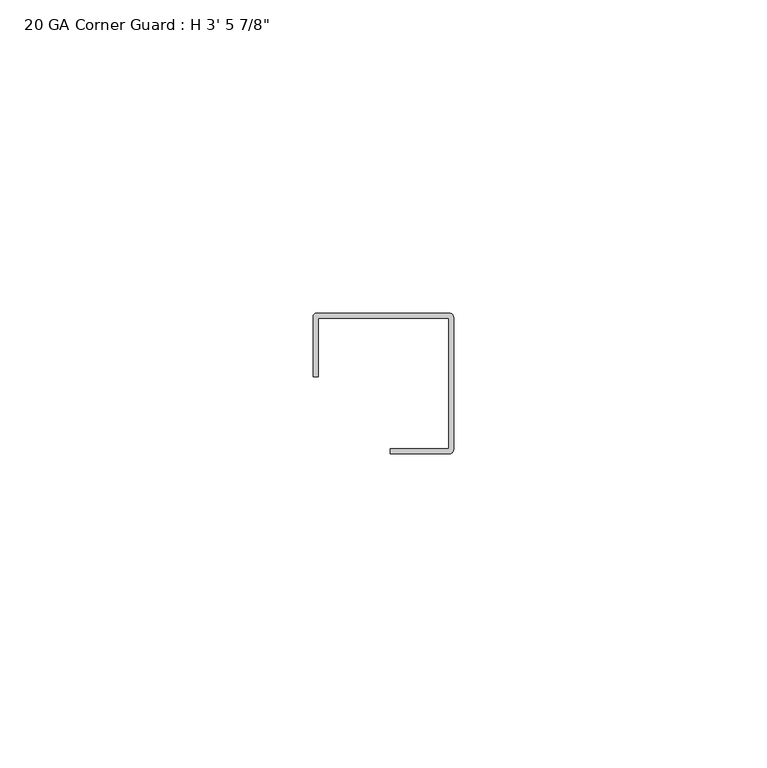
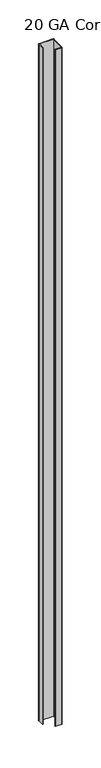
"""IFC4 building model written with IfcOpenShell, lengths in millimetres: proxy geometry."""

from ifc_helpers import new_model, si_unit, point, frame_2d, origin, origin_with_axes, place, context, project, spatial, polyline, circle_curve, trimmed, segment, composite_curve, outline, extrude, source, transform, mapped, element, save


def proxy_3e00bcd8(model_context):
    return source(origin(), model_context, "Body", "SweptSolid", [
        extrude(outline(composite_curve([segment(polyline([(8.991645, 29.8435061), (8.991645, 20.5169436), (8.197895, 20.5169436), (8.197895, 30.0592855)]), True, "CONTINUOUS"), segment(trimmed(circle_curve(frame_2d((8.7758656, 30.0592855)), 0.5779707), [point((8.197895, 30.0592855))], [point((8.7758656, 30.6372561))], False, "CARTESIAN"), True, "CONTINUOUS"), segment(polyline([(8.7758656, 30.6372561), (29.9817892, 30.6372561)]), True, "CONTINUOUS"), segment(trimmed(circle_curve(frame_2d((29.9817892, 30.0201479)), 0.6171083), [point((29.9817892, 30.6372561))], [point((30.5988974, 30.0201479))], False, "CARTESIAN"), True, "CONTINUOUS"), segment(polyline([(30.5988974, 30.0201479), (30.5988974, 8.8255542)]), True, "CONTINUOUS"), segment(trimmed(circle_curve(frame_2d((29.9998619, 8.8255542)), 0.5990355), [point((30.5988974, 8.8255542))], [point((29.9998619, 8.2265186))], False, "CARTESIAN"), True, "CONTINUOUS"), segment(polyline([(29.9998619, 8.2265186), (20.4785849, 8.2265186), (20.4785849, 9.0202686), (29.8051474, 9.0202686), (29.8051474, 29.8435061), (8.991645, 29.8435061)]), True, "CONTINUOUS")], self_intersect=False)), origin_with_axes(), (0.0, 0.0, 1.0), 1063.625),
    ])


if __name__ == "__main__":
    model = new_model("IFC4")
    model_context = context("Model", 3, world=origin())
    ifc_project = project(units=[si_unit("LENGTHUNIT", "METRE", prefix="MILLI")], contexts=[model_context])
    site = spatial("IfcSite", under=ifc_project)
    building = spatial("IfcBuilding", under=site)
    placement = place(None, origin())
    proxy_shape = proxy_3e00bcd8(model_context)
    element("IfcBuildingElementProxy", 1, Name="20 GA Corner Guard : H 3' 5 7/8\"", ObjectType="20 GA Corner Guard : H 3' 5 7/8\"", at=placement, inside=building, context=model_context, shape_type="MappedRepresentation", body=[
        mapped(proxy_shape, transform((0.0, 0.0, 0.0), x_axis=(1.0, 0.0, 0.0), y_axis=(0.0, 1.0, 0.0), z_axis=(0.0, 0.0, 1.0))),
    ])
    save(model, "model.ifc")
